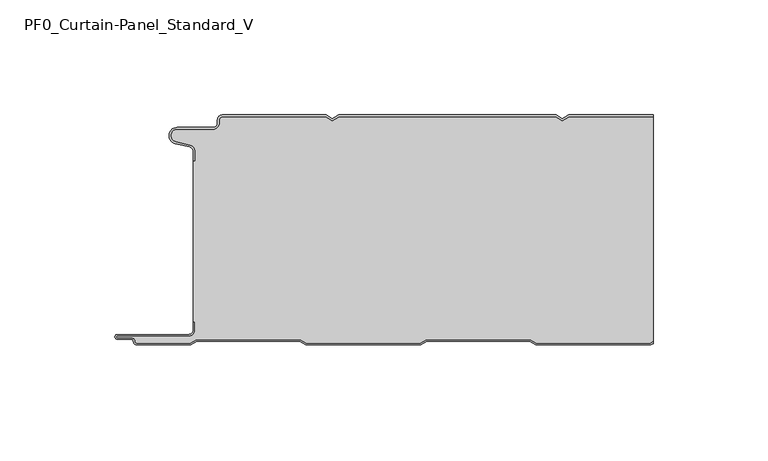
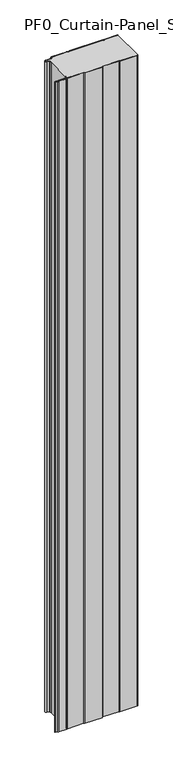
"""IFC4 building model written with IfcOpenShell, lengths in millimetres: plate geometry, PF0_Curtain-Panel_Standard_V."""

from ifc_helpers import new_model, si_unit, point, frame_2d, origin, origin_with_axes, place, context, project, spatial, polyline, circle_curve, trimmed, segment, composite_curve, outline, extrude, source, transform, mapped, element, save


def pf0_curtain_panel_standard_v_11ac5474(model_context):
    return source(origin(), model_context, "Body", "SweptSolid", [
        extrude(outline(composite_curve([segment(trimmed(circle_curve(frame_2d((-102.0119739, -15.878557)), 2.0), [point((-100.0119739, -15.878557))], [point((-101.5620718, -13.9298169))], True, "CARTESIAN"), True, "CONTINUOUS"), segment(polyline([(-101.5620718, -13.9298169), (-107.7217978, -12.507732)]), True, "CONTINUOUS"), segment(trimmed(circle_curve(frame_2d((-106.9119739, -9.0)), 3.6), [point((-107.7217978, -12.507732))], [point((-106.9119739, -5.4))], False, "CARTESIAN"), True, "CONTINUOUS"), segment(polyline([(-106.9119739, -5.4), (-91.4119739, -5.4)]), True, "CONTINUOUS"), segment(trimmed(circle_curve(frame_2d((-91.4119739, -3.4)), 2.0), [point((-91.4119739, -5.4))], [point((-89.4119739, -3.4))], True, "CARTESIAN"), True, "CONTINUOUS"), segment(polyline([(-89.4119739, -3.4), (-89.4119739, -2.0)]), True, "CONTINUOUS"), segment(trimmed(circle_curve(frame_2d((-87.4119739, -2.0)), 2.0), [point((-89.4119739, -2.0))], [point((-87.4119739, 0.0))], False, "CARTESIAN"), True, "CONTINUOUS"), segment(polyline([(-87.4119739, 0.0), (-42.1119734, 0.0), (-39.4119739, -1.5588455), (-36.7119745, 0.0), (57.8880266, 0.0), (60.5880261, -1.5588455), (63.2880255, 0.0), (100.0119739, 0.0), (100.0119739, -0.8), (63.5023849, -0.8), (60.5880261, -2.482606), (57.6736672, -0.8), (-36.4976151, -0.8), (-39.4119739, -2.482606), (-42.3263328, -0.8), (-87.4119739, -0.8)]), True, "CONTINUOUS"), segment(trimmed(circle_curve(frame_2d((-87.4119739, -2.0)), 1.2), [point((-87.4119739, -0.8))], [point((-88.6119739, -2.0))], True, "CARTESIAN"), True, "CONTINUOUS"), segment(polyline([(-88.6119739, -2.0), (-88.6119739, -3.4)]), True, "CONTINUOUS"), segment(trimmed(circle_curve(frame_2d((-91.4119739, -3.4)), 2.8), [point((-88.6119739, -3.4))], [point((-91.4119739, -6.2))], False, "CARTESIAN"), True, "CONTINUOUS"), segment(polyline([(-91.4119739, -6.2), (-106.9119739, -6.2)]), True, "CONTINUOUS"), segment(trimmed(circle_curve(frame_2d((-106.9119739, -9.0)), 2.8), [point((-106.9119739, -6.2))], [point((-107.541837, -11.7282362))], True, "CARTESIAN"), True, "CONTINUOUS"), segment(polyline([(-107.541837, -11.7282362), (-101.3821109, -13.150321)]), True, "CONTINUOUS"), segment(trimmed(circle_curve(frame_2d((-102.0119739, -15.878557)), 2.8), [point((-101.3821109, -13.150321))], [point((-99.2119739, -15.878557))], False, "CARTESIAN"), True, "CONTINUOUS"), segment(polyline([(-99.2119739, -15.878557), (-99.2119739, -20.0), (-100.0119739, -20.0), (-100.0119739, -15.878557)]), True, "CONTINUOUS")], self_intersect=False)), origin_with_axes(), (0.0, 0.0, 1.0), 1945.7507136),
        extrude(outline(composite_curve([segment(polyline([(-99.2119739, -90.0), (-100.0119739, -90.0), (-100.0119739, -20.0), (-99.2119739, -20.0), (-99.2119739, -15.878557)]), True, "CONTINUOUS"), segment(trimmed(circle_curve(frame_2d((-102.0119739, -15.878557)), 2.8), [point((-99.2119739, -15.878557))], [point((-101.3821109, -13.1503208))], True, "CARTESIAN"), True, "CONTINUOUS"), segment(polyline([(-101.3821109, -13.1503208), (-107.5418369, -11.7282362)]), True, "CONTINUOUS"), segment(trimmed(circle_curve(frame_2d((-106.9119739, -9.0)), 2.8), [point((-107.5418369, -11.7282362))], [point((-106.9119739, -6.2))], False, "CARTESIAN"), True, "CONTINUOUS"), segment(polyline([(-106.9119739, -6.2), (-91.4119739, -6.2)]), True, "CONTINUOUS"), segment(trimmed(circle_curve(frame_2d((-91.4119739, -3.4)), 2.8), [point((-91.4119739, -6.2))], [point((-88.6119739, -3.4))], True, "CARTESIAN"), True, "CONTINUOUS"), segment(polyline([(-88.6119739, -3.4), (-88.6119739, -2.0)]), True, "CONTINUOUS"), segment(trimmed(circle_curve(frame_2d((-87.4119739, -2.0)), 1.2), [point((-88.6119739, -2.0))], [point((-87.4119739, -0.8))], False, "CARTESIAN"), True, "CONTINUOUS"), segment(polyline([(-87.4119739, -0.8), (-42.3263328, -0.8), (-39.4119739, -2.482606), (-36.4976151, -0.8), (57.6736672, -0.8), (60.5880261, -2.482606), (63.5023849, -0.8), (100.0119739, -0.8), (100.0119739, -98.4878024), (98.7784109, -99.2), (49.2032822, -99.2), (46.6052046, -97.7), (1.3764885, -97.7), (-1.2215891, -99.2), (-50.7967178, -99.2), (-53.3947954, -97.7), (-98.6235115, -97.7), (-101.2215891, -99.2), (-124.4119739, -99.2)]), True, "CONTINUOUS"), segment(trimmed(circle_curve(frame_2d((-124.4119739, -98.4)), 0.8), [point((-124.4119739, -99.2))], [point((-125.2119739, -98.4))], False, "CARTESIAN"), True, "CONTINUOUS"), segment(trimmed(circle_curve(frame_2d((-126.9119739, -98.6133333)), 1.7133333), [point((-125.2119739, -98.4))], [point((-126.9119739, -96.9))], True, "CARTESIAN"), True, "CONTINUOUS"), segment(polyline([(-126.9119739, -96.9), (-132.8820051, -96.9)]), True, "CONTINUOUS"), segment(trimmed(circle_curve(frame_2d((-132.8820051, -96.6)), 0.3), [point((-132.8820051, -96.9))], [point((-132.8820051, -96.3))], False, "CARTESIAN"), True, "CONTINUOUS"), segment(polyline([(-132.8820051, -96.3), (-102.0119739, -96.3)]), True, "CONTINUOUS"), segment(trimmed(circle_curve(frame_2d((-102.0119739, -93.5)), 2.8), [point((-102.0119739, -96.3))], [point((-99.2119739, -93.5))], True, "CARTESIAN"), True, "CONTINUOUS"), segment(polyline([(-99.2119739, -93.5), (-99.2119739, -90.0)]), True, "CONTINUOUS")], self_intersect=False)), origin_with_axes(), (0.0, 0.0, 1.0), 1945.7507136),
        extrude(outline(composite_curve([segment(polyline([(-100.0119739, -90.0), (-99.2119739, -90.0), (-99.2119739, -93.5)]), True, "CONTINUOUS"), segment(trimmed(circle_curve(frame_2d((-102.0119739, -93.5)), 2.8), [point((-99.2119739, -93.5))], [point((-102.0119739, -96.3))], False, "CARTESIAN"), True, "CONTINUOUS"), segment(polyline([(-102.0119739, -96.3), (-132.8820051, -96.3)]), True, "CONTINUOUS"), segment(trimmed(circle_curve(frame_2d((-132.8820051, -96.6)), 0.3), [point((-132.8820051, -96.3))], [point((-132.8820051, -96.9))], True, "CARTESIAN"), True, "CONTINUOUS"), segment(polyline([(-132.8820051, -96.9), (-126.9119739, -96.9)]), True, "CONTINUOUS"), segment(trimmed(circle_curve(frame_2d((-126.9119739, -98.6133333)), 1.7133333), [point((-126.9119739, -96.9))], [point((-125.2119739, -98.4))], False, "CARTESIAN"), True, "CONTINUOUS"), segment(trimmed(circle_curve(frame_2d((-124.4119739, -98.4)), 0.8), [point((-125.2119739, -98.4))], [point((-124.4119739, -99.2))], True, "CARTESIAN"), True, "CONTINUOUS"), segment(polyline([(-124.4119739, -99.2), (-101.2215891, -99.2), (-98.6235115, -97.7), (-53.3947954, -97.7), (-50.7967178, -99.2), (-1.2215891, -99.2), (1.3764885, -97.7), (46.6052046, -97.7), (49.2032822, -99.2), (98.7784109, -99.2), (100.0119739, -98.4878024), (100.0119739, -99.4115627), (98.9927701, -100.0), (48.988923, -100.0), (46.3908454, -98.5), (1.5908477, -98.5), (-1.0072299, -100.0), (-51.011077, -100.0), (-53.6091546, -98.5), (-98.4091523, -98.5), (-101.0072299, -100.0), (-124.4119739, -100.0)]), True, "CONTINUOUS"), segment(trimmed(circle_curve(frame_2d((-124.4119739, -98.4)), 1.6), [point((-124.4119739, -100.0))], [point((-126.0119739, -98.4))], False, "CARTESIAN"), True, "CONTINUOUS"), segment(trimmed(circle_curve(frame_2d((-126.9119739, -98.4)), 0.9), [point((-126.0119739, -98.4))], [point((-126.9119739, -97.5))], True, "CARTESIAN"), True, "CONTINUOUS"), segment(polyline([(-126.9119739, -97.5), (-133.0119739, -97.5)]), True, "CONTINUOUS"), segment(trimmed(circle_curve(frame_2d((-133.0119739, -96.5)), 1.0), [point((-133.0119739, -97.5))], [point((-133.0119739, -95.5))], False, "CARTESIAN"), True, "CONTINUOUS"), segment(polyline([(-133.0119739, -95.5), (-102.0119739, -95.5)]), True, "CONTINUOUS"), segment(trimmed(circle_curve(frame_2d((-102.0119739, -93.5)), 2.0), [point((-102.0119739, -95.5))], [point((-100.0119739, -93.5))], True, "CARTESIAN"), True, "CONTINUOUS"), segment(polyline([(-100.0119739, -93.5), (-100.0119739, -90.0)]), True, "CONTINUOUS")], self_intersect=False)), origin_with_axes(), (0.0, 0.0, 1.0), 1945.7507136),
    ])


if __name__ == "__main__":
    model = new_model("IFC4")
    model_context = context("Model", 3, world=origin())
    ifc_project = project(units=[si_unit("LENGTHUNIT", "METRE", prefix="MILLI")], contexts=[model_context])
    site = spatial("IfcSite", under=ifc_project)
    building = spatial("IfcBuilding", under=site)
    placement = place(None, origin())
    pf0_curtain_panel_standard_v_shape = pf0_curtain_panel_standard_v_11ac5474(model_context)
    element("IfcPlate", 1, ObjectType="PF0_Curtain-Panel_Standard_V", at=placement, inside=building, context=model_context, shape_type="MappedRepresentation", body=[
        mapped(pf0_curtain_panel_standard_v_shape, transform((0.0, 0.0, 0.0), x_axis=(1.0, 0.0, 0.0), y_axis=(0.0, 1.0, 0.0), z_axis=(0.0, 0.0, 1.0))),
    ])
    save(model, "model.ifc")
